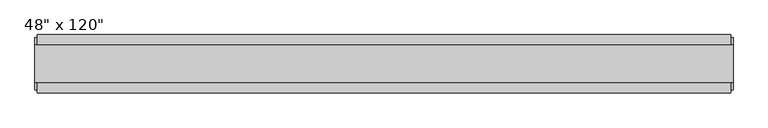
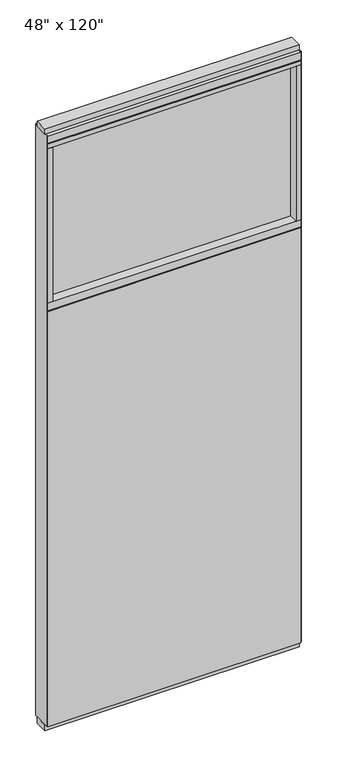
"""IFC4 building model written with IfcOpenShell, lengths in millimetres: furniture geometry."""

from ifc_helpers import new_model, si_unit, frame, origin, origin_with_axes, place, context, project, spatial, polyline, outline, extrude, source, transform, mapped, element, save


def furniture_cbf45876(model_context):
    return source(origin(), model_context, "Body", "SweptSolid", [
        extrude(outline(polyline([(545.6264771, -46.2822784), (-665.6995229, -46.2822784), (-665.6995229, -33.5822784), (545.6264771, -33.5822784), (545.6264771, -46.2822784)])), frame((0.0, 0.0, 31.75), z_axis=(0.0, 0.0, 1.0), x_axis=(1.0, 0.0, 0.0)), (0.0, 0.0, 1.0), 2101.85),
        extrude(outline(polyline([(545.6264771, 55.3177216), (545.6264771, 42.6177216), (-665.6995229, 42.6177216), (-665.6995229, 55.3177216), (545.6264771, 55.3177216)])), frame((0.0, 0.0, 31.75), z_axis=(0.0, 0.0, 1.0), x_axis=(1.0, 0.0, 0.0)), (0.0, 0.0, 1.0), 2101.85),
        extrude(outline(polyline([(523.4014771, 9.5977216), (523.4014771, -0.5622784), (-643.4745229, -0.5622784), (-643.4745229, 9.5977216), (523.4014771, 9.5977216)])), frame((0.0, 0.0, 2174.875), z_axis=(0.0, 0.0, 1.0), x_axis=(1.0, 0.0, 0.0)), (0.0, 0.0, 1.0), 784.225),
        extrude(outline(polyline([(523.4014771, 55.3177216), (545.6264771, 55.3177216), (545.6264771, -46.2822784), (523.4014771, -46.2822784), (523.4014771, 55.3177216)])), frame((0.0, 0.0, 2174.875), z_axis=(0.0, 0.0, 1.0), x_axis=(1.0, 0.0, 0.0)), (0.0, 0.0, 1.0), 784.225),
        extrude(outline(polyline([(55.3177216, 2138.553), (50.3647216, 2138.553), (50.3647216, 2133.6), (-41.3292784, 2133.6), (-41.3292784, 2138.553), (-46.2822784, 2138.553), (-46.2822784, 2174.875), (55.3177216, 2174.875), (55.3177216, 2138.553)])), frame((-665.6995229, 0.0, 0.0), z_axis=(1.0, 0.0, 0.0), x_axis=(0.0, 1.0, 0.0)), (0.0, 0.0, 1.0), 1211.326),
        extrude(outline(polyline([(-643.4745229, 55.3177216), (-643.4745229, -46.2822784), (-665.6995229, -46.2822784), (-665.6995229, 55.3177216), (-643.4745229, 55.3177216)])), frame((0.0, 0.0, 2174.875), z_axis=(0.0, 0.0, 1.0), x_axis=(1.0, 0.0, 0.0)), (0.0, 0.0, 1.0), 784.225),
        extrude(outline(polyline([(549.5634771, -27.9942784), (-669.6365229, -27.9942784), (-669.6365229, 37.0297216), (549.5634771, 37.0297216), (549.5634771, -27.9942784)])), origin_with_axes(), (0.0, 0.0, 1.0), 31.75),
        extrude(outline(polyline([(-669.6365229, 37.0297216), (549.5634771, 37.0297216), (549.5634771, -27.9942784), (-669.6365229, -27.9942784), (-669.6365229, 37.0297216)])), frame((0.0, 0.0, 3022.6), z_axis=(0.0, 0.0, 1.0), x_axis=(1.0, 0.0, 0.0)), (0.0, 0.0, 1.0), 25.4),
        extrude(outline(polyline([(55.3177216, 2986.278), (50.3647216, 2986.278), (50.3647216, 2981.325), (-41.3292784, 2981.325), (-41.3292784, 2986.278), (-46.2822784, 2986.278), (-46.2822784, 3022.6), (55.3177216, 3022.6), (55.3177216, 2986.278)])), frame((-665.6995229, 0.0, 0.0), z_axis=(1.0, 0.0, 0.0), x_axis=(0.0, 1.0, 0.0)), (0.0, 0.0, 1.0), 1211.326),
        extrude(outline(polyline([(545.6264771, -46.2822784), (-665.6995229, -46.2822784), (-665.6995229, 55.3177216), (545.6264771, 55.3177216), (545.6264771, -46.2822784)])), frame((0.0, 0.0, 2959.1), z_axis=(0.0, 0.0, 1.0), x_axis=(1.0, 0.0, 0.0)), (0.0, 0.0, 1.0), 22.225),
        extrude(outline(polyline([(549.5634771, 50.3647216), (549.5634771, -41.3292784), (545.6264771, -41.3292784), (545.6264771, 50.3647216), (549.5634771, 50.3647216)])), frame((0.0, 0.0, 31.75), z_axis=(0.0, 0.0, 1.0), x_axis=(1.0, 0.0, 0.0)), (0.0, 0.0, 1.0), 2990.85),
        extrude(outline(polyline([(-669.6365229, 50.3647216), (-665.6995229, 50.3647216), (-665.6995229, -41.3292784), (-669.6365229, -41.3292784), (-669.6365229, 50.3647216)])), frame((0.0, 0.0, 31.75), z_axis=(0.0, 0.0, 1.0), x_axis=(1.0, 0.0, 0.0)), (0.0, 0.0, 1.0), 2990.85),
    ])


if __name__ == "__main__":
    model = new_model("IFC4")
    model_context = context("Model", 3, world=origin())
    ifc_project = project(units=[si_unit("LENGTHUNIT", "METRE", prefix="MILLI")], contexts=[model_context])
    site = spatial("IfcSite", under=ifc_project)
    building = spatial("IfcBuilding", under=site)
    placement = place(None, origin())
    furniture_shape = furniture_cbf45876(model_context)
    element("IfcFurniture", 1, ObjectType="48\" x 120\"", at=placement, inside=building, context=model_context, shape_type="MappedRepresentation", body=[
        mapped(furniture_shape, transform((0.0, 0.0, 0.0), x_axis=(1.0, 0.0, 0.0), y_axis=(0.0, 1.0, 0.0), z_axis=(0.0, 0.0, 1.0))),
    ])
    save(model, "model.ifc")
